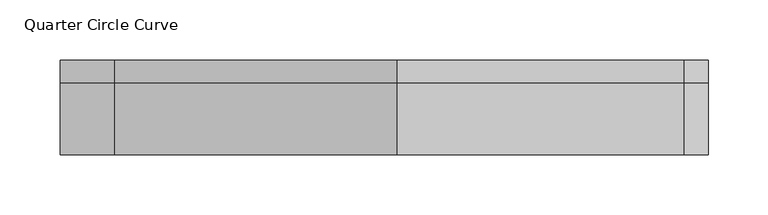
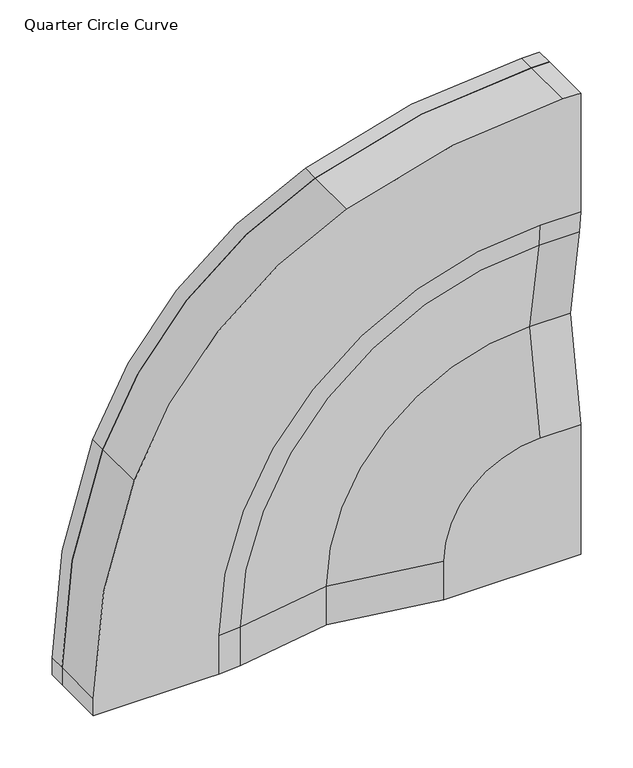
"""IFC4 building model written with IfcOpenShell, lengths in millimetres: furniture geometry, Quarter Circle Curve."""

from ifc_helpers import new_model, si_unit, point, frame, frame_2d, origin, place, context, project, spatial, polyline, circle_curve, ellipse_curve, trimmed, segment, composite_curve, outline, extrude, source, transform, mapped, element, save
from ifc_brep_helpers import plane_surface, cylinder_surface, revolved_surface, advanced_brep


def quarter_circle_curve_cf26b2d6(model_context):
    return source(origin(), model_context, "Body", "SolidModel", [
        extrude(outline(composite_curve([segment(polyline([(1500.0, -270.0), (1500.0, 270.0), (2040.0, 270.0), (2040.0, 250.2887948)]), True, "CONTINUOUS"), segment(trimmed(circle_curve(frame_2d((1380.0347968, 250.2887948)), 659.9652032), [point((2040.0, 250.2887948))], [point((1994.9355419, 10.5991139))], False, "CARTESIAN"), True, "CONTINUOUS"), segment(trimmed(circle_curve(frame_2d((1608.9383015, 161.0616985)), 414.2859628), [point((1994.9355419, 10.5991139))], [point((1759.4008861, -224.9355419))], False, "CARTESIAN"), True, "CONTINUOUS"), segment(trimmed(circle_curve(frame_2d((1519.7112052, 389.9652032)), 659.9652032), [point((1759.4008861, -224.9355419))], [point((1519.7112052, -270.0))], False, "CARTESIAN"), True, "CONTINUOUS"), segment(polyline([(1519.7112052, -270.0), (1500.0, -270.0)]), True, "CONTINUOUS")], self_intersect=False)), frame((0.0, 0.0, 0.0), z_axis=(0.0, 1.0, 0.0), x_axis=(0.0, 0.0, 1.0)), (0.0, 0.0, 1.0), 19.0),
        advanced_brep(
        [(118.5203808, -60.0, 1500.0), (270.0, -60.0, 1500.0), (270.0, -60.0, 1651.4796192), (225.0, -60.0, 1651.4796192), (118.5203808, -60.0, 1545.0), (-270.0, -60.0, 1500.0), (-145.0, -60.0, 1500.0), (-131.0875949, -60.0, 1500.0), (-131.0875949, -60.0, 1545.0), (225.0, -60.0, 1901.0875949), (270.0, -60.0, 1901.0875949), (270.0, -60.0, 1915.0), (270.0, -60.0, 2040.0), (250.2887948, -60.0, 2040.0), (10.5991139, -60.0, 1994.9355419), (-224.9355419, -60.0, 1759.4008861), (-270.0, -60.0, 1519.7112052), (270.0, 0.0, 2040.0), (270.0, 0.0, 1500.0), (-270.0, 0.0, 1500.0), (-270.0, 0.0, 1519.7112052), (-224.9355419, 0.0, 1759.4008861), (10.5991139, 0.0, 1994.9355419), (250.2887948, 0.0, 2040.0), (0.0, -40.0, 1500.0), (-106.1283636, -57.90888, 1500.0), (270.0, -57.90888, 1876.1283636), (270.0, -40.0, 1770.0), (0.0, -40.0, 1545.0), (225.0, -40.0, 1770.0), (-106.1283636, -57.90888, 1545.0), (225.0, -57.90888, 1876.1283636)],
        [
            (0, 1),
            (1, 2),
            (2, 3),
            (3, 4, circle_curve(frame((225.0, -60.0, 1545.0), z_axis=(0.0, -1.0, 0.0), x_axis=(-1.0, 0.0, 0.0)), 106.4796192)),
            (4, 0),
            (5, 6),
            (6, 7),
            (7, 8),
            (8, 9, circle_curve(frame((225.0, -60.0, 1545.0), z_axis=(0.0, 1.0, 0.0), x_axis=(-1.0, 0.0, 0.0)), 356.0875949)),
            (9, 10),
            (10, 11),
            (11, 12),
            (12, 13),
            (13, 14, circle_curve(frame((250.2887948, -60.0, 1380.0347968), z_axis=(0.0, -1.0, 0.0), x_axis=(1.0, 0.0, 0.0)), 659.9652032)),
            (14, 15, circle_curve(frame((161.0616985, -60.0, 1608.9383015), z_axis=(0.0, -1.0, 0.0), x_axis=(1.0, 0.0, 0.0)), 414.2859628)),
            (15, 16, circle_curve(frame((389.9652032, -60.0, 1519.7112052), z_axis=(0.0, -1.0, 0.0), x_axis=(1.0, 0.0, 0.0)), 659.9652032)),
            (16, 5),
            (17, 18),
            (18, 19),
            (19, 20),
            (20, 21, circle_curve(frame((389.9652032, 0.0, 1519.7112052), z_axis=(0.0, 1.0, 0.0), x_axis=(1.0, 0.0, 0.0)), 659.9652032)),
            (21, 22, circle_curve(frame((161.0616985, 0.0, 1608.9383015), z_axis=(0.0, 1.0, 0.0), x_axis=(1.0, 0.0, 0.0)), 414.2859628)),
            (22, 23, circle_curve(frame((250.2887948, 0.0, 1380.0347968), z_axis=(0.0, 1.0, 0.0), x_axis=(1.0, 0.0, 0.0)), 659.9652032)),
            (23, 17),
            (12, 17),
            (23, 13),
            (19, 5),
            (16, 20),
            (18, 1),
            (0, 24),
            (24, 25),
            (25, 7, circle_curve(frame((-131.0875949, 90.0, 1500.0), z_axis=(0.0, 0.0, -1.0), x_axis=(-1.0, 0.0, 0.0)), 150.0)),
            (10, 26, circle_curve(frame((270.0, 90.0, 1901.0875949), z_axis=(1.0, 0.0, 0.0), x_axis=(0.0, 0.0, 1.0)), 150.0)),
            (26, 27),
            (27, 2),
            (28, 24),
            (4, 28),
            (29, 28, circle_curve(frame((225.0, -40.0, 1545.0), z_axis=(0.0, -1.0, 0.0), x_axis=(-1.0, 0.0, 0.0)), 225.0)),
            (3, 29),
            (27, 29),
            (15, 21),
            (14, 22),
            (25, 30),
            (30, 8, circle_curve(frame((-131.0875949, 90.0, 1545.0), z_axis=(0.0, 0.0, -1.0), x_axis=(-1.0, 0.0, 0.0)), 150.0)),
            (28, 30),
            (30, 31, circle_curve(frame((225.0, -57.90888, 1545.0), z_axis=(0.0, 1.0, 0.0), x_axis=(-1.0, 0.0, 0.0)), 331.1283636)),
            (31, 9, circle_curve(frame((225.0, 90.0, 1901.0875949), z_axis=(-1.0, 0.0, 0.0), x_axis=(0.0, 0.0, 1.0)), 150.0)),
            (29, 31),
            (31, 26),
        ],
        [
            plane_surface(frame((-270.0, -60.0, 2040.0), z_axis=(0.0, -1.0, 0.0), x_axis=(-1.0, 0.0, 0.0))),
            plane_surface(frame((-270.0, 0.0, 2040.0), z_axis=(0.0, 1.0, 0.0), x_axis=(1.0, 0.0, 0.0))),
            plane_surface(frame((270.0, -60.0, 2040.0), z_axis=(0.0, 0.0, 1.0), x_axis=(0.0, 1.0, 0.0))),
            plane_surface(frame((-270.0, -60.0, 2040.0), z_axis=(-1.0, 0.0, 0.0), x_axis=(0.0, 1.0, 0.0))),
            plane_surface(frame((-270.0, -60.0, 1500.0), z_axis=(0.0, 0.0, -1.0), x_axis=(0.0, 1.0, 0.0))),
            plane_surface(frame((270.0, -60.0, 1500.0), z_axis=(1.0, 0.0, 0.0), x_axis=(0.0, 1.0, 0.0))),
            plane_surface(frame((0.0, -40.0, 1500.0), z_axis=(-0.1663948754508185, -0.9860591997561337, 0.0), x_axis=(0.0, 0.0, 1.0))),
            revolved_surface(polyline([(120.0, -60.2496818, 1545.0), (0.0, -40.0, 1545.0)]), (225.0, -60.0, 1545.0), (0.0, 1.0, 0.0)),
            plane_surface(frame((225.0, -40.0, 1770.0), z_axis=(0.0, -0.9860591997561331, 0.16639487545082166), x_axis=(1.0, 0.0, 0.0))),
            cylinder_surface(frame((389.9652032, 20.0, 1519.7112052), z_axis=(0.0, 1.0, 0.0), x_axis=(1.0, 0.0, 0.0)), 659.9652032),
            cylinder_surface(frame((161.0616985, 20.0, 1608.9383015), z_axis=(0.0, 1.0, 0.0), x_axis=(1.0, 0.0, 0.0)), 414.2859628),
            cylinder_surface(frame((250.2887948, 20.0, 1380.0347968), z_axis=(0.0, 1.0, 0.0), x_axis=(1.0, 0.0, 0.0)), 659.9652032),
            cylinder_surface(frame((-131.0875949, 90.0, 1500.0), z_axis=(0.0, 0.0, 1.0), x_axis=(-1.0, 0.0, 0.0)), 150.0),
            plane_surface(frame((-106.1283636, -57.90888, 1500.0), z_axis=(0.16639487545078646, -0.9860591997561391, 0.0), x_axis=(0.0, 0.0, 1.0))),
            revolved_surface(trimmed(ellipse_curve(frame((-131.0875949, 90.0, 1545.0), z_axis=(0.0, 0.0, -1.0), x_axis=(-1.0, 0.0, 0.0)), 150.0, 150.0), [point((-106.1283636, -57.90888, 1545.0))], [point((-131.0875949, -60.0, 1545.0))], True, "CARTESIAN"), (225.0, -60.0, 1545.0), (0.0, 1.0, 0.0)),
            revolved_surface(polyline([(0.0, -40.0, 1545.0), (-106.1283636, -57.90888, 1545.0)]), (225.0, -60.0, 1545.0), (0.0, 1.0, 0.0)),
            cylinder_surface(frame((225.0, 90.0, 1901.0875949), z_axis=(1.0, 0.0, 0.0), x_axis=(0.0, 0.0, 1.0)), 150.0),
            plane_surface(frame((225.0, -57.90888, 1876.1283636), z_axis=(0.0, -0.9860591997561396, -0.1663948754507833), x_axis=(1.0, 0.0, 0.0))),
        ],
        [
            (0, [[1, 2, 3, 4, 5]]),
            (0, [[6, 7, 8, 9, 10, 11, 12, 13, 14, 15, 16, 17]]),
            (1, [[18, 19, 20, 21, 22, 23, 24]]),
            (2, [[25, -24, 26, -13]]),
            (3, [[27, -17, 28, -20]]),
            (4, [[-19, 29, -1, 30, 31, 32, -7, -6, -27]]),
            (5, [[-18, -25, -12, -11, 33, 34, 35, -2, -29]]),
            (6, [[36, -30, -5, 37]]),
            (7, [[38, -37, -4, 39]]),
            (8, [[40, -39, -3, -35]]),
            (9, [[41, -21, -28, -16]]),
            (10, [[-41, -15, 42, -22]]),
            (11, [[-42, -14, -26, -23]]),
            (12, [[43, 44, -8, -32]]),
            (13, [[-36, 45, -43, -31]]),
            (14, [[-44, 46, 47, -9]]),
            (15, [[-38, 48, -46, -45]]),
            (16, [[-47, 49, -33, -10]]),
            (17, [[-40, -34, -49, -48]]),
        ],
    ),
    ])


if __name__ == "__main__":
    model = new_model("IFC4")
    model_context = context("Model", 3, world=origin())
    ifc_project = project(units=[si_unit("LENGTHUNIT", "METRE", prefix="MILLI")], contexts=[model_context])
    site = spatial("IfcSite", under=ifc_project)
    building = spatial("IfcBuilding", under=site)
    placement = place(None, origin())
    quarter_circle_curve_shape = quarter_circle_curve_cf26b2d6(model_context)
    element("IfcFurniture", 1, ObjectType="Quarter Circle Curve", at=placement, inside=building, context=model_context, shape_type="MappedRepresentation", body=[
        mapped(quarter_circle_curve_shape, transform((0.0, 0.0, 0.0), x_axis=(1.0, 0.0, 0.0), y_axis=(0.0, 1.0, 0.0), z_axis=(0.0, 0.0, 1.0))),
    ])
    save(model, "model.ifc")
